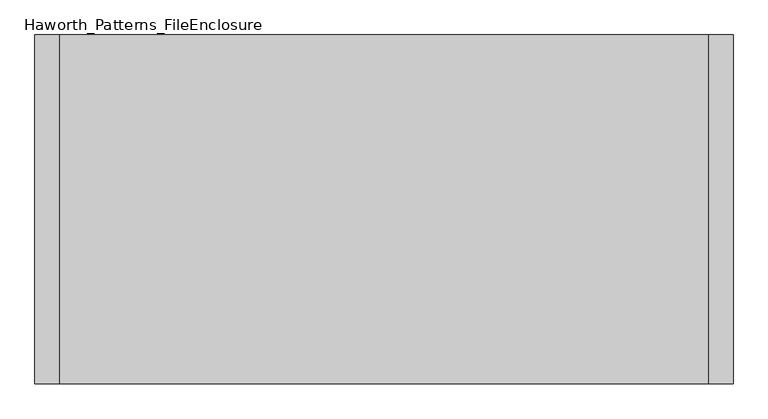
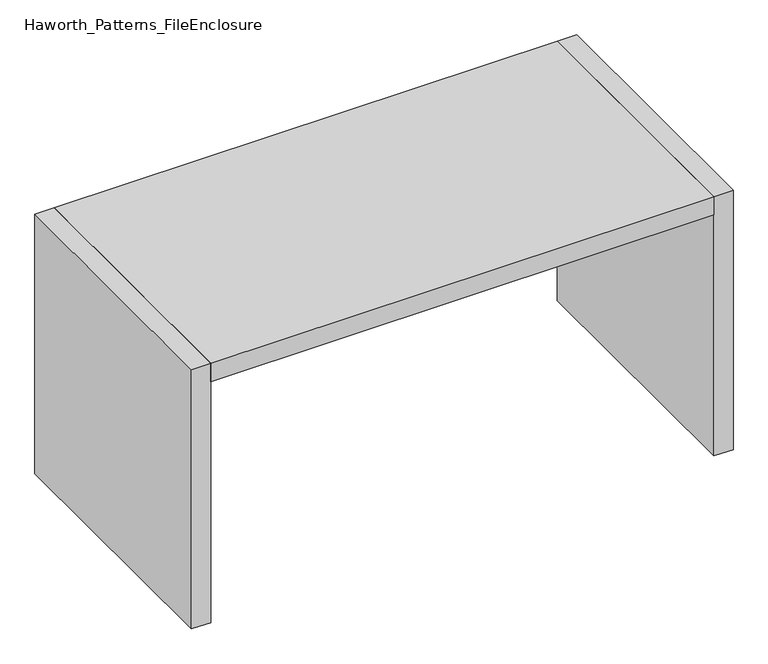
"""IFC4 building model written with IfcOpenShell, lengths in millimetres: furniture geometry, Haworth_Patterns_FileEnclosure."""

from ifc_helpers import new_model, si_unit, frame, origin, origin_with_axes, place, context, project, spatial, polyline, outline, extrude, source, transform, mapped, element, save


def haworth_patterns_fileenclosure_2fb8ca9a(model_context):
    return source(origin(), model_context, "Body", "SweptSolid", [
        extrude(outline(polyline([(990.6, 0.0), (990.6, -1066.8), (-990.6, -1066.8), (-990.6, 0.0), (990.6, 0.0)])), frame((0.0, 0.0, 1003.3), z_axis=(0.0, 0.0, 1.0), x_axis=(1.0, 0.0, 0.0)), (0.0, 0.0, 1.0), 76.2),
        extrude(outline(polyline([(990.6, 0.0), (1066.8, 0.0), (1066.8, -1066.8), (990.6, -1066.8), (990.6, 0.0)])), origin_with_axes(), (0.0, 0.0, 1.0), 1079.5),
        extrude(outline(polyline([(-990.6, 0.0), (-990.6, -1066.8), (-1066.8, -1066.8), (-1066.8, 0.0), (-990.6, 0.0)])), origin_with_axes(), (0.0, 0.0, 1.0), 1079.5),
    ])


if __name__ == "__main__":
    model = new_model("IFC4")
    model_context = context("Model", 3, world=origin())
    ifc_project = project(units=[si_unit("LENGTHUNIT", "METRE", prefix="MILLI")], contexts=[model_context])
    site = spatial("IfcSite", under=ifc_project)
    building = spatial("IfcBuilding", under=site)
    placement = place(None, origin())
    haworth_patterns_fileenclosure_shape = haworth_patterns_fileenclosure_2fb8ca9a(model_context)
    element("IfcFurniture", 1, ObjectType="Haworth_Patterns_FileEnclosure", at=placement, inside=building, context=model_context, shape_type="MappedRepresentation", body=[
        mapped(haworth_patterns_fileenclosure_shape, transform((0.0, 0.0, 0.0), x_axis=(1.0, 0.0, 0.0), y_axis=(0.0, 1.0, 0.0), z_axis=(0.0, 0.0, 1.0))),
    ])
    save(model, "model.ifc")
